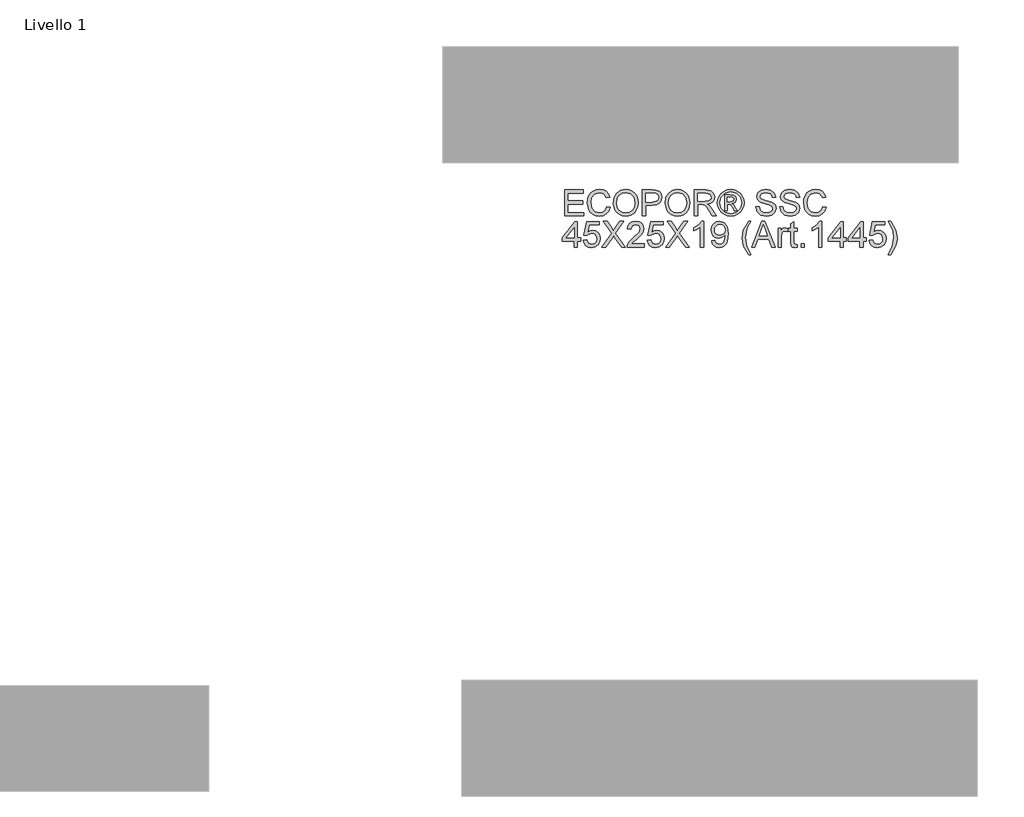
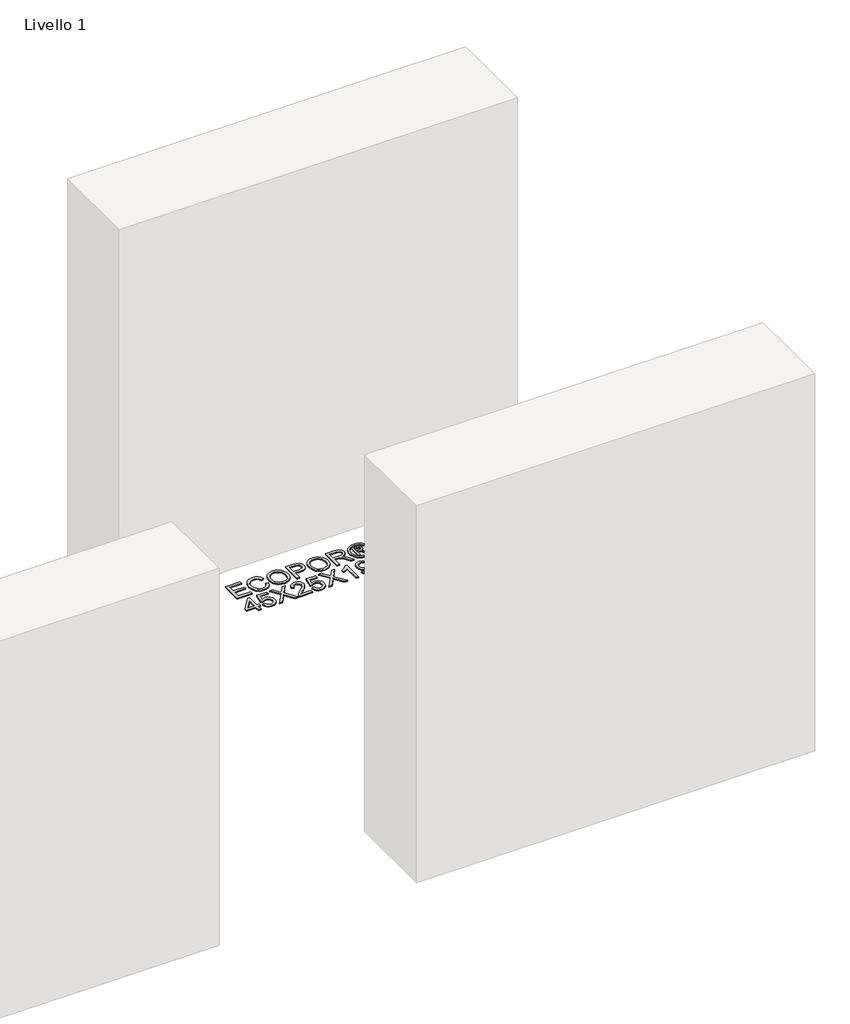
# One storey, part 10 of 10: 1 proxy.
"""IFC4 building model written with IfcOpenShell, lengths in millimetres."""

from ifc_helpers import new_model, si_unit, origin, origin_with_axes, place, context, project, spatial, polyline, outline, extrude, element, save

model = new_model("IFC4")

# Units and contexts
model_context = context("Model", 3, world=origin())
ifc_project = project(units=[si_unit("LENGTHUNIT", "METRE", prefix="MILLI")], contexts=[model_context])

# Site, building, storey
site = spatial("IfcSite", under=ifc_project)
building = spatial("IfcBuilding", under=site)
storey = spatial("IfcBuildingStorey", under=building, Name="Livello 1", Elevation=0.0)

# Proxy
placement = place(None, origin())
element("IfcBuildingElementProxy", 1, Name="100", ObjectType="100", at=placement, inside=storey, context=model_context, shape_type="SweptSolid", body=[
    extrude(outline(polyline([(7299.7052081, 2562.674344), (7299.7052081, 2663.1306541), (7371.9081811, 2663.1306541), (7371.9081811, 2650.5736154), (7312.2622469, 2650.5736154), (7312.2622469, 2620.7506483), (7368.7689214, 2620.7506483), (7368.7689214, 2608.1936095), (7312.2622469, 2608.1936095), (7312.2622469, 2575.2313828), (7373.4778109, 2575.2313828), (7373.4778109, 2562.674344), (7299.7052081, 2562.674344)])), origin_with_axes(), (0.0, 0.0, 1.0), 5.0),
    extrude(outline(polyline([(7462.9467121, 2598.383423), (7475.5037509, 2595.1460614), (7469.7096095, 2580.5135551), (7460.6167928, 2569.8235174), (7448.6728907, 2563.284415), (7434.3254929, 2561.1047141), (7419.7604316, 2562.7540518), (7408.1936085, 2567.7020646), (7399.3276524, 2575.7770744), (7392.8651921, 2586.8074029), (7387.6044795, 2613.6627885), (7389.0913359, 2628.3106233), (7393.5519051, 2640.9596326), (7400.7531952, 2651.2082118), (7410.4622142, 2658.6547565), (7421.9769206, 2663.1889021), (7434.595273, 2664.700284), (7448.3632567, 2662.744378), (7459.7461388, 2656.8766602), (7468.3883, 2647.4588811), (7473.9341211, 2634.8527914), (7461.3770823, 2631.8606846), (7451.0763864, 2647.2994656), (7434.1047637, 2652.1432452), (7414.4598652, 2646.7721681), (7403.3620916, 2632.3511939), (7400.1615183, 2613.687314), (7403.9507028, 2592.0558527), (7415.7474522, 2578.2357524), (7433.0746941, 2573.6617529), (7443.5562653, 2575.21912), (7452.290397, 2579.8912214), (7458.8846818, 2587.629006), (7462.9467121, 2598.383423)])), origin_with_axes(), (0.0, 0.0, 1.0), 5.0),
    extrude(outline(polyline([(7488.0607897, 2611.5781239), (7491.4085158, 2633.792065), (7501.4516943, 2650.5981408), (7516.7862421, 2661.1747482), (7536.0080764, 2664.700284), (7549.1843832, 2663.044815), (7560.9995266, 2658.0784081), (7570.8097131, 2650.1505511), (7577.9711493, 2639.6107319), (7582.348945, 2626.967854), (7583.8082103, 2612.7308208), (7582.272303, 2598.3037152), (7577.664581, 2585.4830277), (7570.239496, 2574.9248144), (7560.2514999, 2567.2851317), (7548.537524, 2562.6498185), (7535.9345, 2561.1047141), (7522.5558581, 2562.8122997), (7510.6732696, 2567.9350565), (7500.8876086, 2576.0100663), (7493.7997488, 2586.5744109), (7488.0607897, 2611.5781239)]), holes=[polyline([(7500.6178284, 2611.4554966), (7503.1286231, 2595.740804), (7510.6610069, 2583.7662451), (7521.9825753, 2576.1878759), (7535.8609236, 2573.6617529), (7549.9416069, 2576.2124014), (7561.2815694, 2583.8643469), (7568.758771, 2596.2067879), (7571.2511715, 2612.8289227), (7566.9837404, 2633.5529417), (7554.5125407, 2647.2749402), (7536.0816528, 2652.1432452), (7522.5742522, 2649.7979975), (7511.0902026, 2642.7622543), (7503.235922, 2630.2450695), (7500.6178284, 2611.4554966)])]), origin_with_axes(), (0.0, 0.0, 1.0), 5.0),
    extrude(outline(polyline([(7601.0741386, 2562.674344), (7601.0741386, 2663.1306541), (7638.3037965, 2663.1306541), (7653.3133819, 2662.174161), (7665.5148014, 2657.4775342), (7673.4242643, 2647.7654495), (7676.4163712, 2634.0679765), (7674.3960859, 2622.2283076), (7668.33523, 2612.3629388), (7657.0013989, 2605.7042747), (7639.1621878, 2603.48472), (7613.6311774, 2603.48472), (7613.6311774, 2562.674344), (7601.0741386, 2562.674344)]), holes=[polyline([(7613.6311774, 2616.0417588), (7639.8979518, 2616.0417588), (7658.3901534, 2620.6525464), (7662.4920377, 2626.2014332), (7663.8593324, 2633.6265181), (7660.6342336, 2644.0253159), (7652.160685, 2649.7152241), (7639.6036462, 2650.5736154), (7613.6311774, 2650.5736154), (7613.6311774, 2616.0417588)])]), origin_with_axes(), (0.0, 0.0, 1.0), 5.0),
    extrude(outline(polyline([(7688.97341, 2611.5781239), (7692.3211361, 2633.792065), (7702.3643146, 2650.5981408), (7717.6988624, 2661.1747482), (7736.9206967, 2664.700284), (7750.0970035, 2663.044815), (7761.9121469, 2658.0784081), (7771.7223334, 2650.1505511), (7778.8837696, 2639.6107319), (7783.2615653, 2626.967854), (7784.7208306, 2612.7308208), (7783.1849233, 2598.3037152), (7778.5772013, 2585.4830277), (7771.1521163, 2574.9248144), (7761.1641202, 2567.2851317), (7749.4501443, 2562.6498185), (7736.8471203, 2561.1047141), (7723.4684784, 2562.8122997), (7711.5858899, 2567.9350565), (7701.8002289, 2576.0100663), (7694.7123691, 2586.5744109), (7688.97341, 2611.5781239)]), holes=[polyline([(7701.5304487, 2611.4554966), (7704.0412434, 2595.740804), (7711.5736272, 2583.7662451), (7722.8951956, 2576.1878759), (7736.7735439, 2573.6617529), (7750.8542272, 2576.2124014), (7762.1941897, 2583.8643469), (7769.6713913, 2596.2067879), (7772.1637918, 2612.8289227), (7767.8963607, 2633.5529417), (7755.425161, 2647.2749402), (7736.9942731, 2652.1432452), (7723.4868725, 2649.7979975), (7712.0028229, 2642.7622543), (7704.1485423, 2630.2450695), (7701.5304487, 2611.4554966)])]), origin_with_axes(), (0.0, 0.0, 1.0), 5.0),
    extrude(outline(polyline([(7801.9867589, 2562.674344), (7801.9867589, 2663.1306541), (7845.274207, 2663.1306541), (7865.3728267, 2660.4205901), (7876.3602356, 2650.8311328), (7880.4682512, 2635.6376064), (7878.766797, 2625.7415807), (7873.6624343, 2617.5378122), (7865.001879, 2611.5229416), (7852.6318469, 2608.1936095), (7859.7687576, 2602.8225324), (7869.9468261, 2589.8976116), (7886.6977196, 2562.674344), (7872.1050672, 2562.674344), (7859.0329936, 2583.4964649), (7849.5906891, 2597.279777), (7842.9565504, 2603.7912883), (7836.9845994, 2606.1825213), (7829.7005359, 2606.6239797), (7814.5437977, 2606.6239797), (7814.5437977, 2562.674344), (7801.9867589, 2562.674344)]), holes=[polyline([(7814.5437977, 2619.1810185), (7842.6499821, 2619.1810185), (7856.9851172, 2620.9591148), (7865.127572, 2626.649023), (7867.9112124, 2635.1716225), (7862.601449, 2646.2326078), (7845.8137672, 2650.5736154), (7814.5437977, 2650.5736154), (7814.5437977, 2619.1810185)])]), origin_with_axes(), (0.0, 0.0, 1.0), 5.0),
    extrude(outline(polyline([(7943.2779705, 2664.700284), (7956.1722344, 2663.0264209), (7968.75993, 2658.0048317), (7979.8178497, 2649.8685082), (7988.1227857, 2638.8504425), (7993.3191189, 2626.1278568), (7995.05123, 2612.8779736), (7993.3436444, 2599.7445864), (7988.2208876, 2587.1262339), (7980.0171191, 2576.1480221), (7969.0664984, 2567.9350565), (7956.457343, 2562.8122997), (7943.2779705, 2561.1047141), (7930.1169921, 2562.8122997), (7917.5139681, 2567.9350565), (7906.5541503, 2576.1480221), (7898.3227907, 2587.1262339), (7893.1724428, 2599.7445864), (7891.4556601, 2612.8779736), (7893.1969682, 2626.1278568), (7898.4208926, 2638.8504425), (7906.7534197, 2649.8685082), (7917.8205364, 2658.0048317), (7930.4021007, 2663.0264209), (7943.2779705, 2664.700284)]), holes=[polyline([(7943.2779705, 2655.2825049), (7922.4558496, 2649.8010632), (7913.4274123, 2643.1393334), (7906.6001356, 2634.1170275), (7900.8734392, 2612.8779736), (7906.489771, 2591.8228607), (7922.2105949, 2576.138825), (7943.2779705, 2570.5224932), (7964.3576088, 2576.138825), (7980.0416446, 2591.8228607), (7985.6334509, 2612.8779736), (7979.9435427, 2634.1170275), (7973.1346601, 2643.1393334), (7964.0878287, 2649.8010632), (7943.2779705, 2655.2825049)])]), origin_with_axes(), (0.0, 0.0, 1.0), 5.0),
    extrude(outline(polyline([(7919.7089973, 2581.5099021), (7919.7089973, 2644.295096), (7939.991558, 2644.295096), (7955.0501943, 2642.5660506), (7962.4691479, 2636.5327859), (7965.2282629, 2627.3725242), (7960.4703224, 2615.4531476), (7947.8642327, 2609.7632394), (7952.769326, 2606.427776), (7961.3287137, 2593.8952627), (7968.3675226, 2581.5099021), (7957.7725211, 2581.5099021), (7952.2542912, 2591.4672415), (7943.0081904, 2605.8882157), (7934.9883629, 2608.1936095), (7929.1267764, 2608.1936095), (7929.1267764, 2581.5099021), (7919.7089973, 2581.5099021)]), holes=[polyline([(7929.1267764, 2617.6113886), (7941.0461531, 2617.6113886), (7952.6957496, 2620.0026216), (7955.8104838, 2626.3424546), (7954.3144304, 2630.9041914), (7950.1573638, 2633.8962983), (7940.2858636, 2634.8773169), (7929.1267764, 2634.8773169), (7929.1267764, 2617.6113886)])]), origin_with_axes(), (0.0, 0.0, 1.0), 5.0),
    extrude(outline(polyline([(8040.5704955, 2597.2062006), (8053.1275343, 2597.2062006), (8057.1742362, 2584.6368991), (8067.0579991, 2576.690648), (8082.1166355, 2573.6617529), (8095.23776, 2575.954884), (8103.7113086, 2582.2579289), (8106.494949, 2590.6824266), (8104.4102844, 2598.5183131), (8095.8754221, 2604.220484), (8077.5916869, 2609.0152127), (8057.9100002, 2615.2078929), (8047.2291596, 2624.5520956), (8043.7097552, 2637.035558), (8048.0630255, 2651.2480657), (8060.7794798, 2661.2789814), (8079.3943087, 2664.700284), (8099.2599365, 2661.1195659), (8112.5036883, 2650.5981408), (8117.482358, 2634.8773169), (8104.9253192, 2634.8773169), (8102.6199253, 2642.3698469), (8097.8129339, 2647.7777122), (8079.884818, 2652.1432452), (8061.9076512, 2647.8267631), (8056.266794, 2637.4034399), (8060.264445, 2628.6968994), (8080.7677348, 2621.682616), (8102.9878073, 2615.3795712), (8115.1401759, 2605.2015026), (8119.0519878, 2591.0012576), (8114.5515647, 2575.9794095), (8101.6021185, 2565.016526), (8082.6071448, 2561.1047141), (8060.1786058, 2565.3230944), (8045.9906236, 2578.0272859), (8040.5704955, 2597.2062006)])), origin_with_axes(), (0.0, 0.0, 1.0), 5.0),
    extrude(outline(polyline([(8133.1786564, 2597.2062006), (8145.7356952, 2597.2062006), (8149.7823971, 2584.6368991), (8159.6661601, 2576.690648), (8174.7247964, 2573.6617529), (8187.8459209, 2575.954884), (8196.3194695, 2582.2579289), (8199.1031099, 2590.6824266), (8197.0184453, 2598.5183131), (8188.483583, 2604.220484), (8170.1998479, 2609.0152127), (8150.5181611, 2615.2078929), (8139.8373205, 2624.5520956), (8136.3179161, 2637.035558), (8140.6711864, 2651.2480657), (8153.3876407, 2661.2789814), (8172.0024696, 2664.700284), (8191.8680974, 2661.1195659), (8205.1118492, 2650.5981408), (8210.0905189, 2634.8773169), (8197.5334801, 2634.8773169), (8195.2280863, 2642.3698469), (8190.4210949, 2647.7777122), (8172.492979, 2652.1432452), (8154.5158121, 2647.8267631), (8148.8749549, 2637.4034399), (8152.8726059, 2628.6968994), (8173.3758958, 2621.682616), (8195.5959683, 2615.3795712), (8207.7483368, 2605.2015026), (8211.6601487, 2591.0012576), (8207.1597256, 2575.9794095), (8194.2102794, 2565.016526), (8175.2153057, 2561.1047141), (8152.7867668, 2565.3230944), (8138.5987845, 2578.0272859), (8133.1786564, 2597.2062006)])), origin_with_axes(), (0.0, 0.0, 1.0), 5.0),
    extrude(outline(polyline([(8301.1290499, 2598.383423), (8313.6860887, 2595.1460614), (8307.8919473, 2580.5135551), (8298.7991306, 2569.8235174), (8286.8552285, 2563.284415), (8272.5078307, 2561.1047141), (8257.9427694, 2562.7540518), (8246.3759463, 2567.7020646), (8237.5099902, 2575.7770744), (8231.0475299, 2586.8074029), (8225.7868173, 2613.6627885), (8227.2736737, 2628.3106233), (8231.7342429, 2640.9596326), (8238.935533, 2651.2082118), (8248.644552, 2658.6547565), (8260.1592584, 2663.1889021), (8272.7776109, 2664.700284), (8286.5455945, 2662.744378), (8297.9284766, 2656.8766602), (8306.5706378, 2647.4588811), (8312.1164589, 2634.8527914), (8299.5594201, 2631.8606846), (8289.2587242, 2647.2994656), (8272.2871015, 2652.1432452), (8252.642203, 2646.7721681), (8241.5444295, 2632.3511939), (8238.3438561, 2613.687314), (8242.1330407, 2592.0558527), (8253.92979, 2578.2357524), (8271.2570319, 2573.6617529), (8281.7386031, 2575.21912), (8290.4727348, 2579.8912214), (8297.0670196, 2587.629006), (8301.1290499, 2598.383423)])), origin_with_axes(), (0.0, 0.0, 1.0), 5.0),
    extrude(outline(polyline([(7335.8066946, 2440.6995261), (7335.8066946, 2464.2439738), (7290.2874291, 2464.2439738), (7290.2874291, 2476.8010126), (7338.9459543, 2539.5862065), (7348.3637334, 2539.5862065), (7348.3637334, 2476.8010126), (7360.9207721, 2476.8010126), (7360.9207721, 2464.2439738), (7348.3637334, 2464.2439738), (7348.3637334, 2440.6995261), (7335.8066946, 2440.6995261)]), holes=[polyline([(7335.8066946, 2476.8010126), (7335.8066946, 2515.6003004), (7305.7384729, 2476.8010126), (7335.8066946, 2476.8010126)])]), origin_with_axes(), (0.0, 0.0, 1.0), 5.0),
    extrude(outline(polyline([(7371.9081811, 2467.3832335), (7384.4652198, 2468.9528634), (7390.7927901, 2456.0156799), (7403.9139146, 2451.6869351), (7412.9147608, 2453.1921856), (7419.659264, 2457.7079371), (7423.8715129, 2464.7130234), (7425.2755958, 2473.6862784), (7420.0148833, 2488.5977619), (7413.4083358, 2492.6996462), (7404.1101184, 2494.0669409), (7393.0859213, 2491.8841744), (7386.0348497, 2486.2187917), (7373.4778109, 2487.7884215), (7384.4652198, 2539.5862065), (7433.1237451, 2539.5862065), (7433.1237451, 2527.0291677), (7394.6187629, 2527.0291677), (7389.2476858, 2499.3644416), (7398.2178751, 2504.8090952), (7407.6172601, 2506.6239797), (7419.34963, 2504.3737681), (7429.0893058, 2497.6231335), (7435.6468024, 2487.3347004), (7437.8326346, 2474.4710933), (7435.8644659, 2461.9140545), (7429.9599599, 2451.1719003), (7418.6537199, 2442.1403973), (7403.8648637, 2439.1298963), (7391.5316198, 2441.0643425), (7381.7061049, 2446.8676809), (7374.9707987, 2455.8654614), (7371.9081811, 2467.3832335)])), origin_with_axes(), (0.0, 0.0, 1.0), 5.0),
    extrude(outline(polyline([(7442.5415241, 2440.6995261), (7481.2672355, 2495.440367), (7448.8200435, 2541.1558363), (7463.8786799, 2541.1558363), (7482.1501523, 2515.4286221), (7488.3060443, 2505.3977064), (7495.5165314, 2515.6003004), (7513.5918001, 2541.1558363), (7528.8711657, 2541.1558363), (7496.4239737, 2495.2932142), (7535.1496851, 2440.6995261), (7520.0910487, 2440.6995261), (7494.2902581, 2477.0953182), (7488.919181, 2484.6491618), (7483.0085436, 2476.3595542), (7457.8208897, 2440.6995261), (7442.5415241, 2440.6995261)])), origin_with_axes(), (0.0, 0.0, 1.0), 5.0),
    extrude(outline(polyline([(7607.352658, 2453.2565649), (7607.352658, 2440.6995261), (7541.4282044, 2440.6995261), (7542.7771051, 2449.3570158), (7550.4045251, 2462.6866067), (7566.125349, 2477.242471), (7587.8058613, 2498.1626938), (7593.2259894, 2512.3874643), (7588.1124296, 2523.9021707), (7574.7583132, 2528.5987975), (7560.8401111, 2524.0125353), (7555.5548731, 2511.3328692), (7542.9978343, 2512.9024991), (7546.0420578, 2525.0487363), (7552.6240798, 2533.9208237), (7562.4005438, 2539.3470832), (7575.0280933, 2541.1558363), (7587.7476133, 2539.1447481), (7597.5056832, 2533.1114833), (7603.7136919, 2524.0983745), (7605.7830281, 2513.1477537), (7603.5512107, 2501.2406398), (7596.1322571, 2488.9288557), (7578.1428276, 2471.7242411), (7563.6973279, 2459.6454489), (7558.0319452, 2453.2565649), (7607.352658, 2453.2565649)])), origin_with_axes(), (0.0, 0.0, 1.0), 5.0),
    extrude(outline(polyline([(7619.9096967, 2467.3832335), (7632.4667355, 2468.9528634), (7638.7943058, 2456.0156799), (7651.9154303, 2451.6869351), (7660.9162765, 2453.1921856), (7667.6607797, 2457.7079371), (7671.8730286, 2464.7130234), (7673.2771115, 2473.6862784), (7668.016399, 2488.5977619), (7661.4098515, 2492.6996462), (7652.1116341, 2494.0669409), (7641.0874369, 2491.8841744), (7634.0363654, 2486.2187917), (7621.4793266, 2487.7884215), (7632.4667355, 2539.5862065), (7681.1252607, 2539.5862065), (7681.1252607, 2527.0291677), (7642.6202786, 2527.0291677), (7637.2492014, 2499.3644416), (7646.2193908, 2504.8090952), (7655.6187757, 2506.6239797), (7667.3511457, 2504.3737681), (7677.0908215, 2497.6231335), (7683.6483181, 2487.3347004), (7685.8341503, 2474.4710933), (7683.8659816, 2461.9140545), (7677.9614756, 2451.1719003), (7666.6552356, 2442.1403973), (7651.8663794, 2439.1298963), (7639.5331355, 2441.0643425), (7629.7076205, 2446.8676809), (7622.9723144, 2455.8654614), (7619.9096967, 2467.3832335)])), origin_with_axes(), (0.0, 0.0, 1.0), 5.0),
    extrude(outline(polyline([(7690.5430398, 2440.6995261), (7729.2687512, 2495.440367), (7696.8215592, 2541.1558363), (7711.8801955, 2541.1558363), (7730.151668, 2515.4286221), (7736.30756, 2505.3977064), (7743.5180471, 2515.6003004), (7761.5933158, 2541.1558363), (7776.8726814, 2541.1558363), (7744.4254894, 2495.2932142), (7783.1512007, 2440.6995261), (7768.0925644, 2440.6995261), (7742.2917738, 2477.0953182), (7736.9206967, 2484.6491618), (7731.0100593, 2476.3595542), (7705.8224054, 2440.6995261), (7690.5430398, 2440.6995261)])), origin_with_axes(), (0.0, 0.0, 1.0), 5.0),
    extrude(outline(polyline([(7838.0882453, 2440.6995261), (7825.5312066, 2440.6995261), (7825.5312066, 2518.9848147), (7813.6363554, 2510.5112661), (7800.417129, 2504.171433), (7800.417129, 2516.0417588), (7818.8234915, 2527.7894571), (7829.9948415, 2541.1558363), (7838.0882453, 2541.1558363), (7838.0882453, 2440.6995261)])), origin_with_axes(), (0.0, 0.0, 1.0), 5.0),
    extrude(outline(polyline([(7869.4808423, 2465.8136037), (7882.037881, 2467.3832335), (7887.6787383, 2455.4025432), (7898.3718416, 2451.6869351), (7908.5376474, 2454.078168), (7915.4293035, 2460.467052), (7919.5373191, 2471.3808845), (7921.3522036, 2485.9490116), (7921.2786272, 2488.4015582), (7911.2354487, 2478.8856772), (7897.4643994, 2475.2313828), (7886.0140723, 2477.4632002), (7876.4828629, 2484.1586525), (7870.054125, 2494.5022679), (7867.9112124, 2507.6785747), (7870.1583583, 2521.2902086), (7876.8997958, 2531.9587864), (7887.0257478, 2538.8565738), (7899.4264367, 2541.1558363), (7917.3177644, 2535.9073865), (7929.6295485, 2520.946852), (7933.835666, 2492.8406676), (7929.6418112, 2462.3432502), (7924.4270839, 2452.3521883), (7917.1706116, 2445.0650592), (7908.1850938, 2440.613687), (7897.7832304, 2439.1298963), (7887.0472075, 2440.8804015), (7878.4816884, 2446.1319169), (7872.4913433, 2454.553349), (7869.4808423, 2465.8136037)]), holes=[polyline([(7921.2786272, 2507.9728803), (7919.9235952, 2516.4832172), (7915.8584991, 2523.0315167), (7909.5493229, 2527.2069773), (7901.4620504, 2528.5987975), (7893.0743409, 2527.0996784), (7886.3543631, 2522.602321), (7881.9397792, 2515.719862), (7880.4682512, 2507.0654381), (7881.8600714, 2499.3061937), (7886.0355321, 2493.1472359), (7892.5899629, 2489.1281251), (7901.1186939, 2487.7884215), (7915.6009817, 2493.1472359), (7919.8592158, 2499.5330542), (7921.2786272, 2507.9728803)])]), origin_with_axes(), (0.0, 0.0, 1.0), 5.0),
    extrude(outline(polyline([(8012.3171583, 2412.4461889), (7994.4871442, 2441.901274), (7989.0240966, 2459.0813632), (7987.2030807, 2476.874589), (7992.6477343, 2507.4087946), (8012.3171583, 2541.1558363), (8021.7349373, 2541.1558363), (8009.987239, 2521.2656831), (8002.9239047, 2501.9886665), (7999.7601195, 2476.8010126), (8005.253824, 2444.611338), (8021.7349373, 2412.4461889), (8012.3171583, 2412.4461889)])), origin_with_axes(), (0.0, 0.0, 1.0), 5.0),
    extrude(outline(polyline([(8024.1629585, 2440.6995261), (8064.262096, 2541.1558363), (8074.9551993, 2541.1558363), (8115.0543368, 2440.6995261), (8101.7860595, 2440.6995261), (8090.2836158, 2472.0921231), (8048.9091541, 2472.0921231), (8037.4312358, 2440.6995261), (8024.1629585, 2440.6995261)]), holes=[polyline([(8053.5199417, 2484.6491618), (8085.6973536, 2484.6491618), (8076.6474565, 2509.3463064), (8069.6086476, 2528.5987975), (8063.3546537, 2511.5045475), (8053.5199417, 2484.6491618)])]), origin_with_axes(), (0.0, 0.0, 1.0), 5.0),
    extrude(outline(polyline([(8126.900137, 2440.6995261), (8126.900137, 2514.4721289), (8137.887546, 2514.4721289), (8137.887546, 2503.5582964), (8145.6866443, 2513.6137376), (8153.5347935, 2516.0417588), (8166.1408832, 2512.1667351), (8161.9470284, 2500.909546), (8153.1178606, 2503.48472), (8146.017738, 2501.0076479), (8141.4927895, 2494.1405173), (8139.4571758, 2479.4742884), (8139.4571758, 2440.6995261), (8126.900137, 2440.6995261)])), origin_with_axes(), (0.0, 0.0, 1.0), 5.0),
    extrude(outline(polyline([(8200.6727398, 2451.1719003), (8202.2423696, 2440.3316442), (8192.849116, 2439.1298963), (8182.327691, 2441.2145609), (8177.0792412, 2446.6837399), (8175.5586623, 2460.9330359), (8175.5586623, 2501.9150901), (8166.1408832, 2501.9150901), (8166.1408832, 2514.4721289), (8175.5586623, 2514.4721289), (8175.5586623, 2532.4002448), (8188.115701, 2539.7824102), (8188.115701, 2514.4721289), (8200.6727398, 2514.4721289), (8200.6727398, 2501.9150901), (8188.115701, 2501.9150901), (8188.115701, 2461.3009179), (8188.7778886, 2454.8261948), (8190.9238669, 2452.5330637), (8195.2035608, 2451.6869351), (8200.6727398, 2451.1719003)])), origin_with_axes(), (0.0, 0.0, 1.0), 5.0),
    extrude(outline(polyline([(8216.3690383, 2440.6995261), (8216.3690383, 2453.2565649), (8228.926077, 2453.2565649), (8228.926077, 2440.6995261), (8216.3690383, 2440.6995261)])), origin_with_axes(), (0.0, 0.0, 1.0), 5.0),
    extrude(outline(polyline([(8296.4201604, 2440.6995261), (8283.8631216, 2440.6995261), (8283.8631216, 2518.9848147), (8271.9682705, 2510.5112661), (8258.7490441, 2504.171433), (8258.7490441, 2516.0417588), (8277.1554066, 2527.7894571), (8288.3267565, 2541.1558363), (8296.4201604, 2541.1558363), (8296.4201604, 2440.6995261)])), origin_with_axes(), (0.0, 0.0, 1.0), 5.0),
    extrude(outline(polyline([(8367.0535035, 2440.6995261), (8367.0535035, 2464.2439738), (8321.5342379, 2464.2439738), (8321.5342379, 2476.8010126), (8370.1927632, 2539.5862065), (8379.6105423, 2539.5862065), (8379.6105423, 2476.8010126), (8392.167581, 2476.8010126), (8392.167581, 2464.2439738), (8379.6105423, 2464.2439738), (8379.6105423, 2440.6995261), (8367.0535035, 2440.6995261)]), holes=[polyline([(8367.0535035, 2476.8010126), (8367.0535035, 2515.6003004), (8336.9852817, 2476.8010126), (8367.0535035, 2476.8010126)])]), origin_with_axes(), (0.0, 0.0, 1.0), 5.0),
    extrude(outline(polyline([(8443.9653659, 2440.6995261), (8443.9653659, 2464.2439738), (8398.4461004, 2464.2439738), (8398.4461004, 2476.8010126), (8447.1046256, 2539.5862065), (8456.5224047, 2539.5862065), (8456.5224047, 2476.8010126), (8469.0794435, 2476.8010126), (8469.0794435, 2464.2439738), (8456.5224047, 2464.2439738), (8456.5224047, 2440.6995261), (8443.9653659, 2440.6995261)]), holes=[polyline([(8443.9653659, 2476.8010126), (8443.9653659, 2515.6003004), (8413.8971442, 2476.8010126), (8443.9653659, 2476.8010126)])]), origin_with_axes(), (0.0, 0.0, 1.0), 5.0),
    extrude(outline(polyline([(8480.0668524, 2467.3832335), (8492.6238912, 2468.9528634), (8498.9514615, 2456.0156799), (8512.072586, 2451.6869351), (8521.0734321, 2453.1921856), (8527.8179354, 2457.7079371), (8532.0301842, 2464.7130234), (8533.4342672, 2473.6862784), (8528.1735546, 2488.5977619), (8521.5670071, 2492.6996462), (8512.2687897, 2494.0669409), (8501.2445926, 2491.8841744), (8494.193521, 2486.2187917), (8481.6364822, 2487.7884215), (8492.6238912, 2539.5862065), (8541.2824164, 2539.5862065), (8541.2824164, 2527.0291677), (8502.7774342, 2527.0291677), (8497.4063571, 2499.3644416), (8506.3765464, 2504.8090952), (8515.7759314, 2506.6239797), (8527.5083014, 2504.3737681), (8537.2479772, 2497.6231335), (8543.8054737, 2487.3347004), (8545.9913059, 2474.4710933), (8544.0231373, 2461.9140545), (8538.1186312, 2451.1719003), (8526.8123913, 2442.1403973), (8512.023535, 2439.1298963), (8499.6902912, 2441.0643425), (8489.8647762, 2446.8676809), (8483.12947, 2455.8654614), (8480.0668524, 2467.3832335)])), origin_with_axes(), (0.0, 0.0, 1.0), 5.0),
    extrude(outline(polyline([(8563.2572342, 2412.4461889), (8553.8394552, 2412.4461889), (8570.3205685, 2444.611338), (8575.814273, 2476.8010126), (8572.6504879, 2501.7679373), (8565.6607299, 2521.0694794), (8553.8394552, 2541.1558363), (8563.2572342, 2541.1558363), (8582.9266583, 2507.4087946), (8588.3713118, 2476.874589), (8586.5410989, 2459.0813632), (8581.0504601, 2441.901274), (8563.2572342, 2412.4461889)])), origin_with_axes(), (0.0, 0.0, 1.0), 5.0),
])

save(model, "model.ifc")
